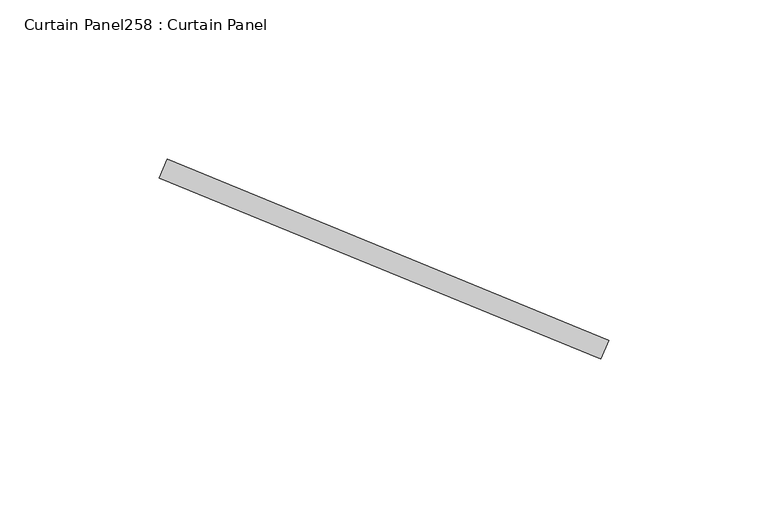
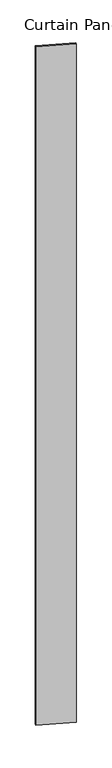
"""IFC4 building model written with IfcOpenShell, lengths in millimetres: plate geometry, Curtain Panel258 : Curtain Panel."""

from ifc_helpers import new_model, si_unit, frame, origin, place, context, project, spatial, polyline, outline, extrude, source, transform, mapped, element, save


def curtain_panel258_curtain_panel_dac22dde(model_context):
    return source(origin(), model_context, "Body", "SweptSolid", [
        extrude(outline(polyline([(576785.7595405, 2954.6593475), (576647.2080286, 3011.5125964), (576649.6186325, 3017.3872443), (576788.1701444, 2960.5339955), (576785.7595405, 2954.6593475)])), frame((0.0, 0.0, 4959.7989371), z_axis=(0.0, 0.0, 1.0), x_axis=(1.0, 0.0, 0.0)), (0.0, 0.0, 1.0), 3048.0),
    ])


if __name__ == "__main__":
    model = new_model("IFC4")
    model_context = context("Model", 3, world=origin())
    ifc_project = project(units=[si_unit("LENGTHUNIT", "METRE", prefix="MILLI")], contexts=[model_context])
    site = spatial("IfcSite", under=ifc_project)
    building = spatial("IfcBuilding", under=site)
    placement = place(None, origin())
    curtain_panel258_curtain_panel_shape = curtain_panel258_curtain_panel_dac22dde(model_context)
    element("IfcPlate", 1, ObjectType="Curtain Panel258 : Curtain Panel", at=placement, inside=building, context=model_context, shape_type="MappedRepresentation", body=[
        mapped(curtain_panel258_curtain_panel_shape, transform((0.0, 0.0, 0.0), x_axis=(1.0, 0.0, 0.0), y_axis=(0.0, 1.0, 0.0), z_axis=(0.0, 0.0, 1.0))),
    ])
    save(model, "model.ifc")
